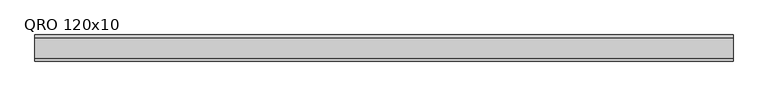
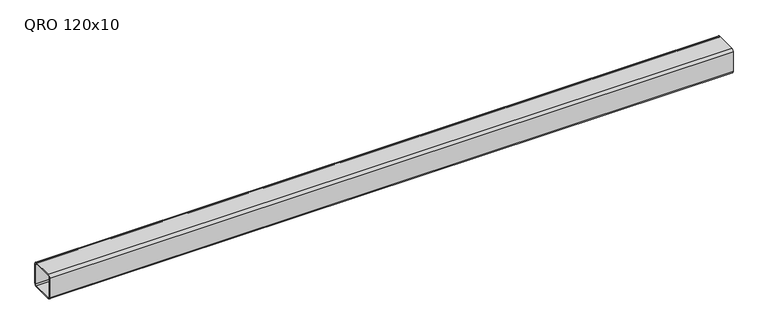
"""IFC4 building model written with IfcOpenShell, lengths in millimetres: beam geometry, QRO 120x10."""

from ifc_helpers import new_model, si_unit, point, frame, frame_2d, origin, place, context, project, spatial, polyline, circle_curve, trimmed, segment, composite_curve, outline, extrude, source, transform, mapped, element, save


def qro_120x10_19b6a71a(model_context):
    return source(origin(), model_context, "Body", "SweptSolid", [
        extrude(outline(composite_curve([segment(polyline([(60.0, 48.0), (60.0, -48.0)]), True, "CONTINUOUS"), segment(trimmed(circle_curve(frame_2d((48.0, -48.0)), 12.0), [point((60.0, -48.0))], [point((48.0, -60.0))], False, "CARTESIAN"), True, "CONTINUOUS"), segment(polyline([(48.0, -60.0), (-48.0, -60.0)]), True, "CONTINUOUS"), segment(trimmed(circle_curve(frame_2d((-48.0, -48.0)), 12.0), [point((-48.0, -60.0))], [point((-60.0, -48.0))], False, "CARTESIAN"), True, "CONTINUOUS"), segment(polyline([(-60.0, -48.0), (-60.0, 48.0)]), True, "CONTINUOUS"), segment(trimmed(circle_curve(frame_2d((-48.0, 48.0)), 12.0), [point((-60.0, 48.0))], [point((-48.0, 60.0))], False, "CARTESIAN"), True, "CONTINUOUS"), segment(polyline([(-48.0, 60.0), (48.0, 60.0)]), True, "CONTINUOUS"), segment(trimmed(circle_curve(frame_2d((48.0, 48.0)), 12.0), [point((48.0, 60.0))], [point((60.0, 48.0))], False, "CARTESIAN"), True, "CONTINUOUS")], self_intersect=False), holes=[composite_curve([segment(trimmed(circle_curve(frame_2d((-48.0, 48.0)), 6.0), [point((-48.0, 54.0))], [point((-54.0, 48.0))], True, "CARTESIAN"), True, "CONTINUOUS"), segment(polyline([(-54.0, 48.0), (-54.0, -48.0)]), True, "CONTINUOUS"), segment(trimmed(circle_curve(frame_2d((-48.0, -48.0)), 6.0), [point((-54.0, -48.0))], [point((-48.0, -54.0))], True, "CARTESIAN"), True, "CONTINUOUS"), segment(polyline([(-48.0, -54.0), (48.0, -54.0)]), True, "CONTINUOUS"), segment(trimmed(circle_curve(frame_2d((48.0, -48.0)), 6.0), [point((48.0, -54.0))], [point((54.0, -48.0))], True, "CARTESIAN"), True, "CONTINUOUS"), segment(polyline([(54.0, -48.0), (54.0, 48.0)]), True, "CONTINUOUS"), segment(trimmed(circle_curve(frame_2d((48.0, 48.0)), 6.0), [point((54.0, 48.0))], [point((48.0, 54.0))], True, "CARTESIAN"), True, "CONTINUOUS"), segment(polyline([(48.0, 54.0), (-48.0, 54.0)]), True, "CONTINUOUS")], self_intersect=False)]), frame((-1588.504685, 0.0, 0.0), z_axis=(1.0, 0.0, 0.0), x_axis=(0.0, 1.0, 0.0)), (0.0, 0.0, 1.0), 3211.0103942),
    ])


if __name__ == "__main__":
    model = new_model("IFC4")
    model_context = context("Model", 3, world=origin())
    ifc_project = project(units=[si_unit("LENGTHUNIT", "METRE", prefix="MILLI")], contexts=[model_context])
    site = spatial("IfcSite", under=ifc_project)
    building = spatial("IfcBuilding", under=site)
    placement = place(None, origin())
    qro_120x10_shape = qro_120x10_19b6a71a(model_context)
    element("IfcBeam", 1, ObjectType="QRO 120x10", at=placement, inside=building, context=model_context, shape_type="MappedRepresentation", body=[
        mapped(qro_120x10_shape, transform((0.0, 0.0, 0.0), x_axis=(1.0, 0.0, 0.0), y_axis=(0.0, 1.0, 0.0), z_axis=(0.0, 0.0, 1.0))),
    ])
    save(model, "model.ifc")
